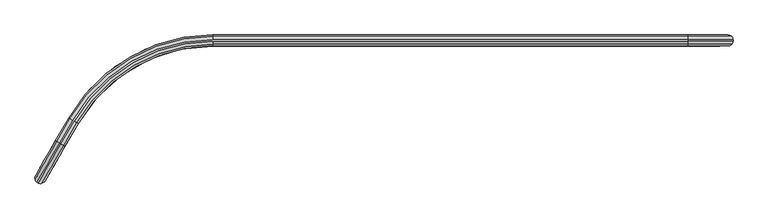
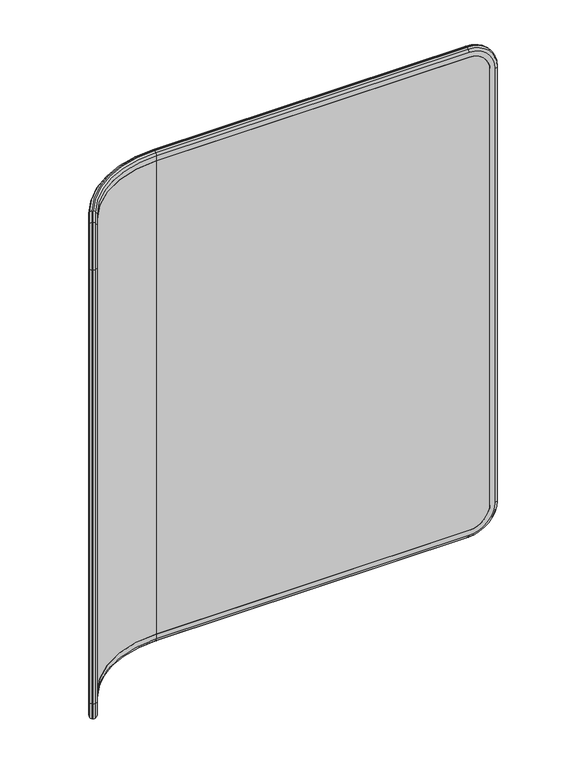
"""IFC4 building model written with IfcOpenShell, lengths in millimetres: furniture geometry."""

from ifc_helpers import new_model, si_unit, point, frame, origin, place, context, project, spatial, polyline, circle_curve, ellipse_curve, trimmed, source, transform, mapped, element, save
from ifc_brep_helpers import plane_surface, cylinder_surface, revolved_surface, advanced_brep


def furniture_9426e977(model_context):
    return source(origin(), model_context, "Body", "AdvancedBrep", [
        advanced_brep(
        [(1336.9030635, -19.0134443, 1436.2125677), (1253.5370658, -19.0134443, 1519.5785655), (1253.5370658, -21.9662095, 1512.0100357), (1329.3345337, -21.9662095, 1436.2125677), (1339.8970658, -12.8318012, 1436.2125677), (1253.5370658, -12.8318012, 1522.5725677), (1339.8970658, -10.0186178, 1436.2125677), (1253.5370658, -10.0186178, 1522.5725677), (1336.9030635, -3.8369747, 1436.2125677), (1253.5370658, -3.8369747, 1519.5785655), (1329.3345337, -0.8842095, 1436.2125677), (1253.5370658, -0.8842095, 1512.0100357), (1314.4970658, -21.9662095, 1436.2125677), (1253.5370658, -21.9662095, 1497.1725677), (1253.5370658, -0.8842095, 1497.1725677), (1314.4970658, -0.8842095, 1436.2125677), (1329.3345337, -21.9662095, 98.7747521), (1336.9030635, -19.0134443, 98.7747521), (1339.8970658, -12.8318012, 98.7747521), (1339.8970658, -10.0186178, 98.7747521), (1336.9030635, -3.8369747, 98.7747521), (1329.3345337, -0.8842095, 98.7747521), (1314.4970658, -0.8842095, 98.7747521), (1314.4970658, -21.9662095, 98.7747521), (1253.5370658, -19.0134443, 15.4087544), (1253.5370658, -21.9662095, 22.9772842), (1253.5370658, -12.8318012, 12.4147521), (1253.5370658, -10.0186178, 12.4147521), (1253.5370658, -3.8369747, 15.4087544), (1253.5370658, -0.8842095, 22.9772842), (1253.5370658, -21.9662095, 37.8147521), (1253.5370658, -0.8842095, 37.8147521), (341.1823889, -21.9662095, 22.9772842), (341.1823889, -19.0134443, 15.4087544), (341.1823889, -12.8318012, 12.4147521), (74.8064775, -166.6240054, 12.4147521), (49.477931, -210.4943349, 12.4147521), (47.0416427, -209.0877432, 12.4147521), (72.3701892, -165.2174137, 12.4147521), (341.1823889, -10.0186178, 12.4147521), (341.1823889, -3.8369747, 15.4087544), (341.1823889, -0.8842095, 22.9772842), (341.1823889, -0.8842095, 37.8147521), (64.4595596, -160.6502095, 37.8147521), (39.1310131, -204.520539, 37.8147521), (57.3885606, -215.061539, 37.8147521), (82.7171072, -171.1912095, 37.8147521), (341.1823889, -21.9662095, 37.8147521), (80.1599375, -169.7148269, 15.4087544), (82.7171072, -171.1912095, 22.9772842), (67.0167293, -162.1265921, 15.4087544), (64.4595596, -160.6502095, 22.9772842), (57.3885606, -215.061539, 22.9772842), (54.831391, -213.5851564, 15.4087544), (41.6881827, -205.9969216, 15.4087544), (39.1310131, -204.520539, 22.9772842), (1.2322791, -270.1630718, 98.7747521), (1.2322791, -270.1630718, 1436.2125677), (39.1310131, -204.520539, 1512.0100357), (64.4595596, -160.6502095, 1512.0100357), (64.4595596, -160.6502095, 1497.1725677), (39.1310131, -204.520539, 1497.1725677), (8.6510131, -257.3134476, 1436.2125677), (8.6510131, -257.3134476, 98.7747521), (26.9085606, -267.8544476, 98.7747521), (26.9085606, -267.8544476, 1436.2125677), (57.3885606, -215.061539, 1497.1725677), (82.7171072, -171.1912095, 1497.1725677), (82.7171072, -171.1912095, 1512.0100357), (57.3885606, -215.061539, 1512.0100357), (19.4898267, -280.7040718, 1436.2125677), (19.4898267, -280.7040718, 98.7747521), (13.1483921, -285.7822283, 98.7747521), (6.297931, -285.2842888, 98.7747521), (3.8616427, -283.877697, 98.7747521), (0.0051838, -278.1939935, 98.7747521), (13.1483921, -285.7822283, 1436.2125677), (6.297931, -285.2842888, 1436.2125677), (3.8616427, -283.877697, 1436.2125677), (0.0051838, -278.1939935, 1436.2125677), (54.831391, -213.5851564, 1519.5785655), (49.477931, -210.4943349, 1522.5725677), (47.0416427, -209.0877432, 1522.5725677), (41.6881827, -205.9969216, 1519.5785655), (80.1599375, -169.7148269, 1519.5785655), (74.8064775, -166.6240054, 1522.5725677), (341.1823889, -12.8318012, 1522.5725677), (341.1823889, -10.0186178, 1522.5725677), (72.3701892, -165.2174137, 1522.5725677), (67.0167293, -162.1265921, 1519.5785655), (341.1823889, -0.8842095, 1497.1725677), (341.1823889, -21.9662095, 1497.1725677), (341.1823889, -19.0134443, 1519.5785655), (341.1823889, -21.9662095, 1512.0100357), (341.1823889, -3.8369747, 1519.5785655), (341.1823889, -0.8842095, 1512.0100357)],
        [
            (0, 1, circle_curve(frame((1253.5370658, -19.0134443, 1436.2125677), z_axis=(0.0, -1.0, 0.0), x_axis=(0.0, 0.0, 1.0)), 83.3659977)),
            (1, 2, circle_curve(frame((1253.5370658, -10.7899964, 1512.0100357), z_axis=(1.0, 0.0, 0.0), x_axis=(0.0, 1.0, 0.0)), 11.1762131)),
            (2, 3, circle_curve(frame((1253.5370658, -21.9662095, 1436.2125677), z_axis=(0.0, 1.0, 0.0), x_axis=(0.0, 0.0, 1.0)), 75.7974679)),
            (3, 0, circle_curve(frame((1329.3345337, -10.7899964, 1436.2125677), z_axis=(0.0, 0.0, 1.0), x_axis=(0.0, 1.0, 0.0)), 11.1762131)),
            (4, 5, circle_curve(frame((1253.5370658, -12.8318012, 1436.2125677), z_axis=(0.0, -1.0, 0.0), x_axis=(0.0, 0.0, 1.0)), 86.36)),
            (5, 1, circle_curve(frame((1253.5370658, -12.1285054, 1513.2419454), z_axis=(1.0, 0.0, 0.0), x_axis=(0.0, 1.0, 0.0)), 9.3570903)),
            (0, 4, circle_curve(frame((1330.5664434, -12.1285054, 1436.2125677), z_axis=(0.0, 0.0, 1.0), x_axis=(0.0, 1.0, 0.0)), 9.3570903)),
            (6, 7, circle_curve(frame((1253.5370658, -10.0186178, 1436.2125677), z_axis=(0.0, -1.0, 0.0), x_axis=(0.0, 0.0, 1.0)), 86.36)),
            (7, 5),
            (4, 6),
            (8, 9, circle_curve(frame((1253.5370658, -3.8369747, 1436.2125677), z_axis=(0.0, -1.0, 0.0), x_axis=(0.0, 0.0, 1.0)), 83.3659977)),
            (9, 7, circle_curve(frame((1253.5370658, -10.7219137, 1513.2419454), z_axis=(1.0, 0.0, 0.0), x_axis=(0.0, -1.0, 0.0)), 9.3570903)),
            (6, 8, circle_curve(frame((1330.5664434, -10.7219137, 1436.2125677), z_axis=(0.0, 0.0, 1.0), x_axis=(0.0, -1.0, 0.0)), 9.3570903)),
            (10, 11, circle_curve(frame((1253.5370658, -0.8842095, 1436.2125677), z_axis=(0.0, -1.0, 0.0), x_axis=(0.0, 0.0, 1.0)), 75.7974679)),
            (11, 9, circle_curve(frame((1253.5370658, -12.0604226, 1512.0100357), z_axis=(1.0, 0.0, 0.0), x_axis=(0.0, -1.0, 0.0)), 11.1762131)),
            (8, 10, circle_curve(frame((1329.3345337, -12.0604226, 1436.2125677), z_axis=(0.0, 0.0, 1.0), x_axis=(0.0, -1.0, 0.0)), 11.1762131)),
            (12, 13, circle_curve(frame((1253.5370658, -21.9662095, 1436.2125677), z_axis=(0.0, -1.0, 0.0), x_axis=(0.0, 0.0, 1.0)), 60.96)),
            (13, 14),
            (14, 15, circle_curve(frame((1253.5370658, -0.8842095, 1436.2125677), z_axis=(0.0, 1.0, 0.0), x_axis=(0.0, 0.0, 1.0)), 60.96)),
            (15, 12),
            (3, 16),
            (16, 17, circle_curve(frame((1329.3345337, -10.7899964, 98.7747521), z_axis=(0.0, 0.0, 1.0), x_axis=(0.0, 1.0, 0.0)), 11.1762131)),
            (17, 0),
            (17, 18, circle_curve(frame((1330.5664434, -12.1285054, 98.7747521), z_axis=(0.0, 0.0, 1.0), x_axis=(0.0, 1.0, 0.0)), 9.3570903)),
            (18, 4),
            (18, 19),
            (19, 6),
            (19, 20, circle_curve(frame((1330.5664434, -10.7219137, 98.7747521), z_axis=(0.0, 0.0, 1.0), x_axis=(0.0, -1.0, 0.0)), 9.3570903)),
            (20, 8),
            (20, 21, circle_curve(frame((1329.3345337, -12.0604226, 98.7747521), z_axis=(0.0, 0.0, 1.0), x_axis=(0.0, -1.0, 0.0)), 11.1762131)),
            (21, 10),
            (15, 22),
            (22, 23),
            (23, 12),
            (24, 17, circle_curve(frame((1253.5370658, -19.0134443, 98.7747521), z_axis=(0.0, -1.0, 0.0), x_axis=(1.0, 0.0, 0.0)), 83.3659977)),
            (16, 25, circle_curve(frame((1253.5370658, -21.9662095, 98.7747521), z_axis=(0.0, 1.0, 0.0), x_axis=(1.0, 0.0, 0.0)), 75.7974679)),
            (25, 24, circle_curve(frame((1253.5370658, -10.7899964, 22.9772842), z_axis=(1.0, 0.0, 0.0), x_axis=(0.0, 1.0, 0.0)), 11.1762131)),
            (26, 18, circle_curve(frame((1253.5370658, -12.8318012, 98.7747521), z_axis=(0.0, -1.0, 0.0), x_axis=(1.0, 0.0, 0.0)), 86.36)),
            (24, 26, circle_curve(frame((1253.5370658, -12.1285054, 21.7453745), z_axis=(1.0, 0.0, 0.0), x_axis=(0.0, 1.0, 0.0)), 9.3570903)),
            (27, 19, circle_curve(frame((1253.5370658, -10.0186178, 98.7747521), z_axis=(0.0, -1.0, 0.0), x_axis=(1.0, 0.0, 0.0)), 86.36)),
            (26, 27),
            (28, 20, circle_curve(frame((1253.5370658, -3.8369747, 98.7747521), z_axis=(0.0, -1.0, 0.0), x_axis=(1.0, 0.0, 0.0)), 83.3659977)),
            (27, 28, circle_curve(frame((1253.5370658, -10.7219137, 21.7453745), z_axis=(1.0, 0.0, 0.0), x_axis=(0.0, -1.0, 0.0)), 9.3570903)),
            (29, 21, circle_curve(frame((1253.5370658, -0.8842095, 98.7747521), z_axis=(0.0, -1.0, 0.0), x_axis=(1.0, 0.0, 0.0)), 75.7974679)),
            (28, 29, circle_curve(frame((1253.5370658, -12.0604226, 22.9772842), z_axis=(1.0, 0.0, 0.0), x_axis=(0.0, -1.0, 0.0)), 11.1762131)),
            (30, 23, circle_curve(frame((1253.5370658, -21.9662095, 98.7747521), z_axis=(0.0, -1.0, 0.0), x_axis=(1.0, 0.0, 0.0)), 60.96)),
            (22, 31, circle_curve(frame((1253.5370658, -0.8842095, 98.7747521), z_axis=(0.0, 1.0, 0.0), x_axis=(1.0, 0.0, 0.0)), 60.96)),
            (31, 30),
            (25, 32),
            (32, 33, circle_curve(frame((341.1823889, -10.7899964, 22.9772842), z_axis=(1.0, 0.0, 0.0), x_axis=(0.0, 1.0, 0.0)), 11.1762131)),
            (33, 24),
            (33, 34, circle_curve(frame((341.1823889, -12.1285054, 21.7453745), z_axis=(1.0, 0.0, 0.0), x_axis=(0.0, 1.0, 0.0)), 9.3570903)),
            (34, 26),
            (34, 35, circle_curve(frame((341.1823889, -320.4162095, 12.4147521), z_axis=(0.0, 0.0, 1.0), x_axis=(0.0, 1.0, 0.0)), 307.5844083)),
            (35, 36),
            (36, 37),
            (37, 38),
            (38, 39, circle_curve(frame((341.1823889, -320.4162095, 12.4147521), z_axis=(0.0, 0.0, -1.0), x_axis=(0.0, 1.0, 0.0)), 310.3975917)),
            (39, 27),
            (39, 40, circle_curve(frame((341.1823889, -10.7219137, 21.7453745), z_axis=(1.0, 0.0, 0.0), x_axis=(0.0, -1.0, 0.0)), 9.3570903)),
            (40, 28),
            (40, 41, circle_curve(frame((341.1823889, -12.0604226, 22.9772842), z_axis=(1.0, 0.0, 0.0), x_axis=(0.0, -1.0, 0.0)), 11.1762131)),
            (41, 29),
            (31, 42),
            (42, 43, circle_curve(frame((341.1823889, -320.4162095, 37.8147521), z_axis=(0.0, 0.0, 1.0), x_axis=(0.0, 1.0, 0.0)), 319.532)),
            (43, 44),
            (44, 45),
            (45, 46),
            (46, 47, circle_curve(frame((341.1823889, -320.4162095, 37.8147521), z_axis=(0.0, 0.0, -1.0), x_axis=(0.0, 1.0, 0.0)), 298.45)),
            (47, 30),
            (48, 33, circle_curve(frame((341.1823889, -320.4162095, 15.4087544), z_axis=(0.0, 0.0, -1.0), x_axis=(0.0, 1.0, 0.0)), 301.4027652)),
            (32, 49, circle_curve(frame((341.1823889, -320.4162095, 22.9772842), z_axis=(0.0, 0.0, 1.0), x_axis=(0.0, 1.0, 0.0)), 298.45)),
            (49, 48, circle_curve(frame((73.0382227, -165.6031029, 22.9772842), z_axis=(0.5000000000000001, 0.8660254037844386, 0.0), x_axis=(-0.8660254037844386, 0.5000000000000001, 0.0)), 11.1762131)),
            (48, 35, circle_curve(frame((74.1974055, -166.2723574, 21.7453745), z_axis=(0.5000000000000001, 0.8660254037844386, 0.0), x_axis=(-0.8660254037844386, 0.5000000000000001, 0.0)), 9.3570903)),
            (50, 40, circle_curve(frame((341.1823889, -320.4162095, 15.4087544), z_axis=(0.0, 0.0, -1.0), x_axis=(0.0, 1.0, 0.0)), 316.5792348)),
            (38, 50, circle_curve(frame((72.9792613, -165.5690616, 21.7453745), z_axis=(0.49999999999999484, 0.8660254037844417, 0.0), x_axis=(0.8660254037844417, -0.49999999999999484, 0.0)), 9.3570903)),
            (51, 41, circle_curve(frame((341.1823889, -320.4162095, 22.9772842), z_axis=(0.0, 0.0, -1.0), x_axis=(0.0, 1.0, 0.0)), 319.532)),
            (50, 51, circle_curve(frame((74.1384441, -166.2383161, 22.9772842), z_axis=(0.49999999999999506, 0.8660254037844416, 0.0), x_axis=(0.8660254037844416, -0.49999999999999506, 0.0)), 11.1762131)),
            (42, 41),
            (51, 43),
            (32, 47),
            (46, 49),
            (49, 52),
            (52, 53, circle_curve(frame((47.7096761, -209.4734325, 22.9772842), z_axis=(0.500000000000006, 0.8660254037844353, 0.0), x_axis=(-0.8660254037844353, 0.500000000000006, 0.0)), 11.1762131)),
            (53, 48),
            (53, 36, circle_curve(frame((48.8688589, -210.142687, 21.7453745), z_axis=(0.500000000000006, 0.8660254037844353, 0.0), x_axis=(-0.8660254037844353, 0.500000000000006, 0.0)), 9.3570903)),
            (37, 54, circle_curve(frame((47.6507148, -209.4393911, 21.7453745), z_axis=(0.5000000000000009, 0.8660254037844382, 0.0), x_axis=(0.8660254037844382, -0.5000000000000009, 0.0)), 9.3570903)),
            (54, 50),
            (54, 55, circle_curve(frame((48.8098976, -210.1086456, 22.9772842), z_axis=(0.5000000000000009, 0.8660254037844382, 0.0), x_axis=(0.8660254037844382, -0.5000000000000009, 0.0)), 11.1762131)),
            (55, 51),
            (55, 56, circle_curve(frame((39.1310131, -204.520539, 98.7747521), z_axis=(-0.8660254037844384, 0.5000000000000006, 0.0), x_axis=(0.0, 0.0, -1.0)), 75.7974679)),
            (56, 57),
            (57, 58, circle_curve(frame((39.1310131, -204.520539, 1436.2125677), z_axis=(-0.8660254037844384, 0.5000000000000006, 0.0), x_axis=(-0.5000000000000006, -0.8660254037844384, 0.0)), 75.7974679)),
            (58, 59),
            (59, 60),
            (60, 61),
            (61, 62, circle_curve(frame((39.1310131, -204.520539, 1436.2125677), z_axis=(0.8660254037844384, -0.5000000000000006, 0.0), x_axis=(-0.5000000000000006, -0.8660254037844384, 0.0)), 60.96)),
            (62, 63),
            (63, 44, circle_curve(frame((39.1310131, -204.520539, 98.7747521), z_axis=(0.8660254037844384, -0.5000000000000006, 0.0), x_axis=(0.0, 0.0, -1.0)), 60.96)),
            (45, 64, circle_curve(frame((57.3885606, -215.061539, 98.7747521), z_axis=(-0.8660254037844384, 0.5000000000000006, 0.0), x_axis=(0.0, 0.0, -1.0)), 60.96)),
            (64, 65),
            (65, 66, circle_curve(frame((57.3885606, -215.061539, 1436.2125677), z_axis=(-0.8660254037844384, 0.5000000000000006, 0.0), x_axis=(-0.5000000000000006, -0.8660254037844384, 0.0)), 60.96)),
            (66, 67),
            (67, 68),
            (68, 69),
            (69, 70, circle_curve(frame((57.3885606, -215.061539, 1436.2125677), z_axis=(0.8660254037844384, -0.5000000000000006, 0.0), x_axis=(-0.5000000000000006, -0.8660254037844384, 0.0)), 75.7974679)),
            (70, 71),
            (71, 52, circle_curve(frame((57.3885606, -215.061539, 98.7747521), z_axis=(0.8660254037844384, -0.5000000000000006, 0.0), x_axis=(0.0, 0.0, -1.0)), 75.7974679)),
            (72, 53, circle_curve(frame((54.831391, -213.5851564, 98.7747521), z_axis=(0.8660254037844384, -0.5000000000000006, 0.0), x_axis=(0.0, 0.0, -1.0)), 83.3659977)),
            (71, 72, circle_curve(frame((9.8109422, -275.1159652, 98.7747521), z_axis=(0.0, 0.0, -1.0), x_axis=(-0.8660254037844384, 0.5000000000000006, 0.0)), 11.1762131)),
            (73, 36, circle_curve(frame((49.477931, -210.4943349, 98.7747521), z_axis=(0.8660254037844384, -0.5000000000000006, 0.0), x_axis=(0.0, 0.0, -1.0)), 86.36)),
            (72, 73, circle_curve(frame((10.3541701, -276.8520848, 98.7747521), z_axis=(0.0, 0.0, -1.0), x_axis=(-0.8660254037844384, 0.5000000000000006, 0.0)), 9.3570903)),
            (74, 37, circle_curve(frame((47.0416427, -209.0877432, 98.7747521), z_axis=(0.8660254037844384, -0.5000000000000006, 0.0), x_axis=(0.0, 0.0, -1.0)), 86.36)),
            (73, 74),
            (75, 54, circle_curve(frame((41.6881827, -205.9969216, 98.7747521), z_axis=(0.8660254037844384, -0.5000000000000006, 0.0), x_axis=(0.0, 0.0, -1.0)), 83.3659977)),
            (74, 75, circle_curve(frame((9.136026, -276.1487889, 98.7747521), z_axis=(0.0, 0.0, -1.0), x_axis=(0.8660254037844384, -0.5000000000000006, 0.0)), 9.3570903)),
            (75, 56, circle_curve(frame((10.9111636, -275.7511784, 98.7747521), z_axis=(0.0, 0.0, -1.0), x_axis=(0.8660254037844384, -0.5000000000000006, 0.0)), 11.1762131)),
            (63, 64),
            (70, 76, circle_curve(frame((9.8109422, -275.1159652, 1436.2125677), z_axis=(0.0, 0.0, -1.0), x_axis=(-0.8660254037844384, 0.5000000000000007, 0.0)), 11.1762131)),
            (76, 72),
            (76, 77, circle_curve(frame((10.3541701, -276.8520848, 1436.2125677), z_axis=(0.0, 0.0, -1.0), x_axis=(-0.8660254037844384, 0.5000000000000007, 0.0)), 9.3570903)),
            (77, 73),
            (77, 78),
            (78, 74),
            (78, 79, circle_curve(frame((9.136026, -276.1487889, 1436.2125677), z_axis=(0.0, 0.0, -1.0), x_axis=(0.8660254037844383, -0.5000000000000006, 0.0)), 9.3570903)),
            (79, 75),
            (79, 57, circle_curve(frame((10.9111636, -275.7511784, 1436.2125677), z_axis=(0.0, 0.0, -1.0), x_axis=(0.8660254037844383, -0.5000000000000006, 0.0)), 11.1762131)),
            (62, 65),
            (80, 76, circle_curve(frame((54.831391, -213.5851564, 1436.2125677), z_axis=(0.8660254037844384, -0.5000000000000006, 0.0), x_axis=(-0.5000000000000006, -0.8660254037844384, 0.0)), 83.3659977)),
            (69, 80, circle_curve(frame((47.7096761, -209.4734325, 1512.0100357), z_axis=(-0.4999999999999959, -0.866025403784441, 0.0), x_axis=(-0.866025403784441, 0.4999999999999959, 0.0)), 11.1762131)),
            (81, 77, circle_curve(frame((49.477931, -210.4943349, 1436.2125677), z_axis=(0.8660254037844384, -0.5000000000000006, 0.0), x_axis=(-0.5000000000000006, -0.8660254037844384, 0.0)), 86.36)),
            (80, 81, circle_curve(frame((48.8688589, -210.142687, 1513.2419454), z_axis=(-0.4999999999999959, -0.866025403784441, 0.0), x_axis=(-0.866025403784441, 0.4999999999999959, 0.0)), 9.3570903)),
            (82, 78, circle_curve(frame((47.0416427, -209.0877432, 1436.2125677), z_axis=(0.8660254037844384, -0.5000000000000006, 0.0), x_axis=(-0.5000000000000006, -0.8660254037844384, 0.0)), 86.36)),
            (81, 82),
            (83, 79, circle_curve(frame((41.6881827, -205.9969216, 1436.2125677), z_axis=(0.8660254037844384, -0.5000000000000006, 0.0), x_axis=(-0.5000000000000006, -0.8660254037844384, 0.0)), 83.3659977)),
            (82, 83, circle_curve(frame((47.6507148, -209.4393911, 1513.2419454), z_axis=(-0.5000000000000009, -0.8660254037844382, 0.0), x_axis=(0.8660254037844382, -0.5000000000000009, 0.0)), 9.3570903)),
            (83, 58, circle_curve(frame((48.8098976, -210.1086456, 1512.0100357), z_axis=(-0.5000000000000009, -0.8660254037844382, 0.0), x_axis=(0.8660254037844382, -0.5000000000000009, 0.0)), 11.1762131)),
            (61, 66),
            (68, 84, circle_curve(frame((73.0382227, -165.6031029, 1512.0100357), z_axis=(-0.4999999999999958, -0.8660254037844413, 0.0), x_axis=(-0.866025403784441, 0.49999999999999567, 0.0)), 11.1762131)),
            (84, 80),
            (84, 85, circle_curve(frame((74.1974055, -166.2723574, 1513.2419454), z_axis=(-0.4999999999999958, -0.8660254037844413, 0.0), x_axis=(-0.866025403784441, 0.49999999999999567, 0.0)), 9.3570903)),
            (85, 81),
            (85, 86, circle_curve(frame((341.1823889, -320.4162095, 1522.5725677), z_axis=(0.0, 0.0, -1.0), x_axis=(-0.866025403784445, 0.49999999999998895, 0.0)), 307.5844083)),
            (86, 5),
            (7, 87),
            (87, 88, circle_curve(frame((341.1823889, -320.4162095, 1522.5725677), z_axis=(0.0, 0.0, 1.0), x_axis=(-0.866025403784445, 0.49999999999998895, 0.0)), 310.3975917)),
            (88, 82),
            (88, 89, circle_curve(frame((72.9792613, -165.5690616, 1513.2419454), z_axis=(-0.5000000000000008, -0.8660254037844384, 0.0), x_axis=(0.8660254037844382, -0.5000000000000007, 0.0)), 9.3570903)),
            (89, 83),
            (89, 59, circle_curve(frame((74.1384441, -166.2383161, 1512.0100357), z_axis=(-0.5000000000000008, -0.8660254037844384, 0.0), x_axis=(0.8660254037844382, -0.5000000000000007, 0.0)), 11.1762131)),
            (60, 90, circle_curve(frame((341.1823889, -320.4162095, 1497.1725677), z_axis=(0.0, 0.0, -1.0), x_axis=(-0.866025403784445, 0.49999999999998895, 0.0)), 319.532)),
            (90, 14),
            (13, 91),
            (91, 67, circle_curve(frame((341.1823889, -320.4162095, 1497.1725677), z_axis=(0.0, 0.0, 1.0), x_axis=(-0.866025403784445, 0.49999999999998895, 0.0)), 298.45)),
            (92, 84, circle_curve(frame((341.1823889, -320.4162095, 1519.5785655), z_axis=(0.0, 0.0, 1.0), x_axis=(-0.866025403784445, 0.49999999999998895, 0.0)), 301.4027652)),
            (68, 93, circle_curve(frame((341.1823889, -320.4162095, 1512.0100357), z_axis=(0.0, 0.0, -1.0), x_axis=(-0.866025403784445, 0.49999999999998895, 0.0)), 298.45)),
            (93, 92, circle_curve(frame((341.1823889, -10.7899964, 1512.0100357), z_axis=(-1.0, 0.0, 0.0), x_axis=(0.0, 1.0, 0.0)), 11.1762131)),
            (92, 86, circle_curve(frame((341.1823889, -12.1285054, 1513.2419454), z_axis=(-1.0, 0.0, 0.0), x_axis=(0.0, 1.0, 0.0)), 9.3570903)),
            (94, 89, circle_curve(frame((341.1823889, -320.4162095, 1519.5785655), z_axis=(0.0, 0.0, 1.0), x_axis=(-0.866025403784445, 0.49999999999998895, 0.0)), 316.5792348)),
            (87, 94, circle_curve(frame((341.1823889, -10.7219137, 1513.2419454), z_axis=(-1.0, 0.0, 0.0), x_axis=(0.0, -1.0, 0.0)), 9.3570903)),
            (95, 59, circle_curve(frame((341.1823889, -320.4162095, 1512.0100357), z_axis=(0.0, 0.0, 1.0), x_axis=(-0.866025403784445, 0.49999999999998895, 0.0)), 319.532)),
            (94, 95, circle_curve(frame((341.1823889, -12.0604226, 1512.0100357), z_axis=(-1.0, 0.0, 0.0), x_axis=(0.0, -1.0, 0.0)), 11.1762131)),
            (95, 90),
            (91, 93),
            (93, 2),
            (1, 92),
            (9, 94),
            (11, 95),
        ],
        [
            revolved_surface(trimmed(ellipse_curve(frame((1253.5370658, -10.7899964, 1512.0100357), z_axis=(-1.0, 0.0, 0.0), x_axis=(0.0, 1.0, 0.0)), 11.1762131, 11.1762131), [point((1253.5370658, -21.9662095, 1512.0100357))], [point((1253.5370658, -19.0134443, 1519.5785655))], True, "CARTESIAN"), (1253.5370658, -21.9662095, 1436.2125677), (0.0, 1.0, 0.0)),
            revolved_surface(trimmed(ellipse_curve(frame((1253.5370658, -12.1285054, 1513.2419454), z_axis=(-1.0, 0.0, 0.0), x_axis=(0.0, 1.0, 0.0)), 9.3570903, 9.3570903), [point((1253.5370658, -19.0134443, 1519.5785655))], [point((1253.5370658, -12.8318012, 1522.5725677))], True, "CARTESIAN"), (1253.5370658, -21.9662095, 1436.2125677), (0.0, 1.0, 0.0)),
            cylinder_surface(frame((1253.5370658, -21.9662095, 1436.2125677), z_axis=(0.0, 1.0, 0.0), x_axis=(0.0, 0.0, 1.0)), 86.36),
            revolved_surface(trimmed(ellipse_curve(frame((1253.5370658, -10.7219137, 1513.2419454), z_axis=(-1.0, 0.0, 0.0), x_axis=(0.0, -1.0, 0.0)), 9.3570903, 9.3570903), [point((1253.5370658, -10.0186178, 1522.5725677))], [point((1253.5370658, -3.8369747, 1519.5785655))], True, "CARTESIAN"), (1253.5370658, -21.9662095, 1436.2125677), (0.0, 1.0, 0.0)),
            revolved_surface(trimmed(ellipse_curve(frame((1253.5370658, -12.0604226, 1512.0100357), z_axis=(-1.0, 0.0, 0.0), x_axis=(0.0, -1.0, 0.0)), 11.1762131, 11.1762131), [point((1253.5370658, -3.8369747, 1519.5785655))], [point((1253.5370658, -0.8842095, 1512.0100357))], True, "CARTESIAN"), (1253.5370658, -21.9662095, 1436.2125677), (0.0, 1.0, 0.0)),
            revolved_surface(polyline([(1253.5370658, -0.8842095000000008, 1497.1725677), (1253.5370658, -21.9662095, 1497.1725677)]), (1253.5370658, -21.9662095, 1436.2125677), (0.0, 1.0, 0.0)),
            cylinder_surface(frame((1329.3345337, -10.7899964, 1436.2125677), z_axis=(0.0, 0.0, 1.0), x_axis=(0.0, 1.0, 0.0)), 11.1762131),
            cylinder_surface(frame((1330.5664434, -12.1285054, 1436.2125677), z_axis=(0.0, 0.0, 1.0), x_axis=(0.0, 1.0, 0.0)), 9.3570903),
            plane_surface(frame((1339.8970658, -12.8318012, 1436.2125677), z_axis=(1.0, 0.0, 0.0), x_axis=(0.0, 0.0, -1.0))),
            cylinder_surface(frame((1330.5664434, -10.7219137, 1436.2125677), z_axis=(0.0, 0.0, 1.0), x_axis=(0.0, -1.0, 0.0)), 9.3570903),
            cylinder_surface(frame((1329.3345337, -12.0604226, 1436.2125677), z_axis=(0.0, 0.0, 1.0), x_axis=(0.0, -1.0, 0.0)), 11.1762131),
            plane_surface(frame((1314.4970658, -0.8842095, 1436.2125677), z_axis=(-1.0, 0.0, 0.0), x_axis=(0.0, 0.0, -1.0))),
            revolved_surface(trimmed(ellipse_curve(frame((1329.3345337, -10.7899964, 98.7747521), z_axis=(0.0, 0.0, 1.0), x_axis=(0.0, 1.0, 0.0)), 11.1762131, 11.1762131), [point((1329.3345337, -21.9662095, 98.7747521))], [point((1336.9030635, -19.0134443, 98.7747521))], True, "CARTESIAN"), (1253.5370658, -21.9662095, 98.7747521), (0.0, 1.0, 0.0)),
            revolved_surface(trimmed(ellipse_curve(frame((1330.5664434, -12.1285054, 98.7747521), z_axis=(0.0, 0.0, 1.0), x_axis=(0.0, 1.0, 0.0)), 9.3570903, 9.3570903), [point((1336.9030635, -19.0134443, 98.7747521))], [point((1339.8970658, -12.8318012, 98.7747521))], True, "CARTESIAN"), (1253.5370658, -21.9662095, 98.7747521), (0.0, 1.0, 0.0)),
            cylinder_surface(frame((1253.5370658, -21.9662095, 98.7747521), z_axis=(0.0, 1.0, 0.0), x_axis=(1.0, 0.0, 0.0)), 86.36),
            revolved_surface(trimmed(ellipse_curve(frame((1330.5664434, -10.7219137, 98.7747521), z_axis=(0.0, 0.0, 1.0), x_axis=(0.0, -1.0, 0.0)), 9.3570903, 9.3570903), [point((1339.8970658, -10.0186178, 98.7747521))], [point((1336.9030635, -3.8369747, 98.7747521))], True, "CARTESIAN"), (1253.5370658, -21.9662095, 98.7747521), (0.0, 1.0, 0.0)),
            revolved_surface(trimmed(ellipse_curve(frame((1329.3345337, -12.0604226, 98.7747521), z_axis=(0.0, 0.0, 1.0), x_axis=(0.0, -1.0, 0.0)), 11.1762131, 11.1762131), [point((1336.9030635, -3.8369747, 98.7747521))], [point((1329.3345337, -0.8842095, 98.7747521))], True, "CARTESIAN"), (1253.5370658, -21.9662095, 98.7747521), (0.0, 1.0, 0.0)),
            revolved_surface(polyline([(1314.4970658, -0.8842095000000008, 98.7747521), (1314.4970658, -21.9662095, 98.7747521)]), (1253.5370658, -21.9662095, 98.7747521), (0.0, 1.0, 0.0)),
            cylinder_surface(frame((1253.5370658, -10.7899964, 22.9772842), z_axis=(1.0, 0.0, 0.0), x_axis=(0.0, 1.0, 0.0)), 11.1762131),
            cylinder_surface(frame((1253.5370658, -12.1285054, 21.7453745), z_axis=(1.0, 0.0, 0.0), x_axis=(0.0, 1.0, 0.0)), 9.3570903),
            plane_surface(frame((1253.5370658, -12.8318012, 12.4147521), z_axis=(0.0, 0.0, -1.0), x_axis=(-1.0, 0.0, 0.0))),
            cylinder_surface(frame((1253.5370658, -10.7219137, 21.7453745), z_axis=(1.0, 0.0, 0.0), x_axis=(0.0, -1.0, 0.0)), 9.3570903),
            cylinder_surface(frame((1253.5370658, -12.0604226, 22.9772842), z_axis=(1.0, 0.0, 0.0), x_axis=(0.0, -1.0, 0.0)), 11.1762131),
            plane_surface(frame((1253.5370658, -0.8842095, 37.8147521), z_axis=(0.0, 0.0, 1.0), x_axis=(-1.0, 0.0, 0.0))),
            revolved_surface(trimmed(ellipse_curve(frame((341.1823889, -10.7899964, 22.9772842), z_axis=(1.0, 0.0, 0.0), x_axis=(0.0, 1.0, 0.0)), 11.1762131, 11.1762131), [point((341.1823889, -21.9662095, 22.9772842))], [point((341.1823889, -19.0134443, 15.4087544))], True, "CARTESIAN"), (341.1823889, -320.4162095, 37.8147521), (0.0, 0.0, 1.0)),
            revolved_surface(trimmed(ellipse_curve(frame((341.1823889, -12.1285054, 21.7453745), z_axis=(1.0, 0.0, 0.0), x_axis=(0.0, 1.0, 0.0)), 9.3570903, 9.3570903), [point((341.1823889, -19.0134443, 15.4087544))], [point((341.1823889, -12.8318012, 12.4147521))], True, "CARTESIAN"), (341.1823889, -320.4162095, 37.8147521), (0.0, 0.0, 1.0)),
            revolved_surface(trimmed(ellipse_curve(frame((341.1823889, -10.7219137, 21.7453745), z_axis=(1.0, 0.0, 0.0), x_axis=(0.0, -1.0, 0.0)), 9.3570903, 9.3570903), [point((341.1823889, -10.0186178, 12.4147521))], [point((341.1823889, -3.8369747, 15.4087544))], True, "CARTESIAN"), (341.1823889, -320.4162095, 37.8147521), (0.0, 0.0, 1.0)),
            revolved_surface(trimmed(ellipse_curve(frame((341.1823889, -12.0604226, 22.9772842), z_axis=(1.0, 0.0, 0.0), x_axis=(0.0, -1.0, 0.0)), 11.1762131, 11.1762131), [point((341.1823889, -3.8369747, 15.4087544))], [point((341.1823889, -0.8842095, 22.9772842))], True, "CARTESIAN"), (341.1823889, -320.4162095, 37.8147521), (0.0, 0.0, 1.0)),
            cylinder_surface(frame((341.1823889, -320.4162095, 37.8147521), z_axis=(0.0, 0.0, 1.0), x_axis=(0.0, 1.0, 0.0)), 319.532),
            revolved_surface(polyline([(341.1823889, -21.96620949999999, 37.8147521), (341.1823889, -21.96620949999999, 22.9772842)]), (341.1823889, -320.4162095, 37.8147521), (0.0, 0.0, 1.0)),
            cylinder_surface(frame((73.0382227, -165.6031029, 22.9772842), z_axis=(0.500000000000006, 0.8660254037844353, 0.0), x_axis=(-0.8660254037844353, 0.500000000000006, 0.0)), 11.1762131),
            cylinder_surface(frame((74.1974055, -166.2723574, 21.7453745), z_axis=(0.500000000000006, 0.8660254037844353, 0.0), x_axis=(-0.8660254037844353, 0.500000000000006, 0.0)), 9.3570903),
            cylinder_surface(frame((72.9792613, -165.5690616, 21.7453745), z_axis=(0.5000000000000009, 0.8660254037844382, 0.0), x_axis=(0.8660254037844382, -0.5000000000000009, 0.0)), 9.3570903),
            cylinder_surface(frame((74.1384441, -166.2383161, 22.9772842), z_axis=(0.5000000000000009, 0.8660254037844382, 0.0), x_axis=(0.8660254037844382, -0.5000000000000009, 0.0)), 11.1762131),
            plane_surface(frame((64.4595596, -160.6502095, 22.9772842), z_axis=(-0.8660254037844378, 0.5000000000000016, 0.0), x_axis=(-0.5000000000000016, -0.8660254037844378, 0.0))),
            plane_surface(frame((82.7171072, -171.1912095, 37.8147521), z_axis=(0.8660254037844378, -0.5000000000000017, 0.0), x_axis=(-0.5000000000000017, -0.8660254037844378, 0.0))),
            revolved_surface(trimmed(ellipse_curve(frame((47.7096761, -209.4734325, 22.9772842), z_axis=(0.5000000000000052, 0.8660254037844356, 0.0), x_axis=(-0.8660254037844356, 0.5000000000000052, 0.0)), 11.1762131, 11.1762131), [point((57.3885606, -215.061539, 22.9772842))], [point((54.831391, -213.5851564, 15.4087544))], True, "CARTESIAN"), (57.3885606, -215.061539, 98.7747521), (-0.8660254037844384, 0.5000000000000006, 0.0)),
            revolved_surface(trimmed(ellipse_curve(frame((48.8688589, -210.142687, 21.7453745), z_axis=(0.5000000000000052, 0.8660254037844356, 0.0), x_axis=(-0.8660254037844356, 0.5000000000000052, 0.0)), 9.3570903, 9.3570903), [point((54.831391, -213.5851564, 15.4087544))], [point((49.477931, -210.4943349, 12.4147521))], True, "CARTESIAN"), (57.3885606, -215.061539, 98.7747521), (-0.8660254037844384, 0.5000000000000006, 0.0)),
            cylinder_surface(frame((57.3885606, -215.061539, 98.7747521), z_axis=(-0.8660254037844384, 0.5000000000000006, 0.0), x_axis=(0.0, 0.0, -1.0)), 86.36),
            revolved_surface(trimmed(ellipse_curve(frame((47.6507148, -209.4393911, 21.7453745), z_axis=(0.5000000000000002, 0.8660254037844386, 0.0), x_axis=(0.8660254037844386, -0.5000000000000002, 0.0)), 9.3570903, 9.3570903), [point((47.0416427, -209.0877432, 12.4147521))], [point((41.6881827, -205.9969216, 15.4087544))], True, "CARTESIAN"), (57.3885606, -215.061539, 98.7747521), (-0.8660254037844384, 0.5000000000000006, 0.0)),
            revolved_surface(trimmed(ellipse_curve(frame((48.8098976, -210.1086456, 22.9772842), z_axis=(0.5000000000000002, 0.8660254037844386, 0.0), x_axis=(0.8660254037844386, -0.5000000000000002, 0.0)), 11.1762131, 11.1762131), [point((41.6881827, -205.9969216, 15.4087544))], [point((39.1310131, -204.520539, 22.9772842))], True, "CARTESIAN"), (57.3885606, -215.061539, 98.7747521), (-0.8660254037844384, 0.5000000000000006, 0.0)),
            revolved_surface(polyline([(39.13101307798914, -204.52053902342465, 37.8147521), (57.3885606, -215.061539, 37.8147521)]), (57.3885606, -215.061539, 98.7747521), (-0.8660254037844384, 0.5000000000000006, 0.0)),
            cylinder_surface(frame((9.8109422, -275.1159652, 98.7747521), z_axis=(0.0, 0.0, -1.0), x_axis=(-0.8660254037844384, 0.5000000000000007, 0.0)), 11.1762131),
            cylinder_surface(frame((10.3541701, -276.8520848, 98.7747521), z_axis=(0.0, 0.0, -1.0), x_axis=(-0.8660254037844384, 0.5000000000000007, 0.0)), 9.3570903),
            plane_surface(frame((6.297931, -285.2842888, 98.7747521), z_axis=(-0.5000000000000006, -0.8660254037844385, 0.0), x_axis=(0.0, 0.0, 1.0))),
            cylinder_surface(frame((9.136026, -276.1487889, 98.7747521), z_axis=(0.0, 0.0, -1.0), x_axis=(0.8660254037844383, -0.5000000000000006, 0.0)), 9.3570903),
            cylinder_surface(frame((10.9111636, -275.7511784, 98.7747521), z_axis=(0.0, 0.0, -1.0), x_axis=(0.8660254037844383, -0.5000000000000006, 0.0)), 11.1762131),
            plane_surface(frame((8.6510131, -257.3134476, 98.7747521), z_axis=(0.5000000000000007, 0.8660254037844384, 0.0), x_axis=(0.0, 0.0, 1.0))),
            revolved_surface(trimmed(ellipse_curve(frame((9.8109422, -275.1159652, 1436.2125677), z_axis=(0.0, 0.0, -1.0), x_axis=(-0.8660254037844384, 0.5000000000000006, 0.0)), 11.1762131, 11.1762131), [point((19.4898267, -280.7040718, 1436.2125677))], [point((13.1483921, -285.7822283, 1436.2125677))], True, "CARTESIAN"), (57.3885606, -215.061539, 1436.2125677), (-0.8660254037844384, 0.5000000000000006, 0.0)),
            revolved_surface(trimmed(ellipse_curve(frame((10.3541701, -276.8520848, 1436.2125677), z_axis=(0.0, 0.0, -1.0), x_axis=(-0.8660254037844384, 0.5000000000000006, 0.0)), 9.3570903, 9.3570903), [point((13.1483921, -285.7822283, 1436.2125677))], [point((6.297931, -285.2842888, 1436.2125677))], True, "CARTESIAN"), (57.3885606, -215.061539, 1436.2125677), (-0.8660254037844384, 0.5000000000000006, 0.0)),
            cylinder_surface(frame((57.3885606, -215.061539, 1436.2125677), z_axis=(-0.8660254037844384, 0.5000000000000006, 0.0), x_axis=(-0.5000000000000006, -0.8660254037844384, 0.0)), 86.36),
            revolved_surface(trimmed(ellipse_curve(frame((9.136026, -276.1487889, 1436.2125677), z_axis=(0.0, 0.0, -1.0), x_axis=(0.8660254037844384, -0.5000000000000006, 0.0)), 9.3570903, 9.3570903), [point((3.8616427, -283.877697, 1436.2125677))], [point((0.0051838, -278.1939935, 1436.2125677))], True, "CARTESIAN"), (57.3885606, -215.061539, 1436.2125677), (-0.8660254037844384, 0.5000000000000006, 0.0)),
            revolved_surface(trimmed(ellipse_curve(frame((10.9111636, -275.7511784, 1436.2125677), z_axis=(0.0, 0.0, -1.0), x_axis=(0.8660254037844384, -0.5000000000000006, 0.0)), 11.1762131, 11.1762131), [point((0.0051838, -278.1939935, 1436.2125677))], [point((1.2322791, -270.1630718, 1436.2125677))], True, "CARTESIAN"), (57.3885606, -215.061539, 1436.2125677), (-0.8660254037844384, 0.5000000000000006, 0.0)),
            revolved_surface(polyline([(8.651013077989102, -257.313447638124, 1436.2125677), (26.908560599999962, -267.8544476146994, 1436.2125677)]), (57.3885606, -215.061539, 1436.2125677), (-0.8660254037844384, 0.5000000000000006, 0.0)),
            cylinder_surface(frame((47.7096761, -209.4734325, 1512.0100357), z_axis=(-0.49999999999999567, -0.866025403784441, 0.0), x_axis=(-0.866025403784441, 0.49999999999999567, 0.0)), 11.1762131),
            cylinder_surface(frame((48.8688589, -210.142687, 1513.2419454), z_axis=(-0.49999999999999567, -0.866025403784441, 0.0), x_axis=(-0.866025403784441, 0.49999999999999567, 0.0)), 9.3570903),
            plane_surface(frame((49.477931, -210.4943349, 1522.5725677), z_axis=(0.0, 0.0, 1.0000000000000002), x_axis=(0.5000000000000007, 0.8660254037844384, 0.0))),
            cylinder_surface(frame((47.6507148, -209.4393911, 1513.2419454), z_axis=(-0.5000000000000007, -0.8660254037844382, 0.0), x_axis=(0.8660254037844382, -0.5000000000000007, 0.0)), 9.3570903),
            cylinder_surface(frame((48.8098976, -210.1086456, 1512.0100357), z_axis=(-0.5000000000000007, -0.8660254037844382, 0.0), x_axis=(0.8660254037844382, -0.5000000000000007, 0.0)), 11.1762131),
            plane_surface(frame((39.1310131, -204.520539, 1497.1725677), z_axis=(0.0, 0.0, -1.0), x_axis=(0.5000000000000006, 0.8660254037844384, 0.0))),
            revolved_surface(trimmed(ellipse_curve(frame((73.0382227, -165.6031029, 1512.0100357), z_axis=(-0.49999999999998446, -0.8660254037844476, 0.0), x_axis=(-0.8660254037844476, 0.49999999999998446, 0.0)), 11.1762131, 11.1762131), [point((82.7171072, -171.1912095, 1512.0100357))], [point((80.1599375, -169.7148269, 1519.5785655))], True, "CARTESIAN"), (341.1823889, -320.4162095, 1497.1725677), (0.0, 0.0, -1.0)),
            revolved_surface(trimmed(ellipse_curve(frame((74.1974055, -166.2723574, 1513.2419454), z_axis=(-0.49999999999998446, -0.8660254037844476, 0.0), x_axis=(-0.8660254037844476, 0.49999999999998446, 0.0)), 9.3570903, 9.3570903), [point((80.1599375, -169.7148269, 1519.5785655))], [point((74.8064775, -166.6240054, 1522.5725677))], True, "CARTESIAN"), (341.1823889, -320.4162095, 1497.1725677), (0.0, 0.0, -1.0)),
            revolved_surface(trimmed(ellipse_curve(frame((72.9792613, -165.5690616, 1513.2419454), z_axis=(-0.4999999999999894, -0.8660254037844448, 0.0), x_axis=(0.8660254037844448, -0.4999999999999894, 0.0)), 9.3570903, 9.3570903), [point((72.3701892, -165.2174137, 1522.5725677))], [point((67.0167293, -162.1265921, 1519.5785655))], True, "CARTESIAN"), (341.1823889, -320.4162095, 1497.1725677), (0.0, 0.0, -1.0)),
            revolved_surface(trimmed(ellipse_curve(frame((74.1384441, -166.2383161, 1512.0100357), z_axis=(-0.4999999999999894, -0.8660254037844448, 0.0), x_axis=(0.8660254037844448, -0.4999999999999894, 0.0)), 11.1762131, 11.1762131), [point((67.0167293, -162.1265921, 1519.5785655))], [point((64.4595596, -160.6502095, 1512.0100357))], True, "CARTESIAN"), (341.1823889, -320.4162095, 1497.1725677), (0.0, 0.0, -1.0)),
            cylinder_surface(frame((341.1823889, -320.4162095, 1497.1725677), z_axis=(0.0, 0.0, -1.0), x_axis=(-0.866025403784445, 0.49999999999998895, 0.0)), 319.532),
            revolved_surface(polyline([(82.71710714053239, -171.19120950000328, 1497.1725677), (82.71710714053239, -171.19120950000328, 1512.0100357)]), (341.1823889, -320.4162095, 1497.1725677), (0.0, 0.0, -1.0)),
            cylinder_surface(frame((341.1823889, -10.7899964, 1512.0100357), z_axis=(-1.0, 0.0, 0.0), x_axis=(0.0, 1.0, 0.0)), 11.1762131),
            cylinder_surface(frame((341.1823889, -12.1285054, 1513.2419454), z_axis=(-1.0, 0.0, 0.0), x_axis=(0.0, 1.0, 0.0)), 9.3570903),
            cylinder_surface(frame((341.1823889, -10.7219137, 1513.2419454), z_axis=(-1.0, 0.0, 0.0), x_axis=(0.0, -1.0, 0.0)), 9.3570903),
            cylinder_surface(frame((341.1823889, -12.0604226, 1512.0100357), z_axis=(-1.0, 0.0, 0.0), x_axis=(0.0, -1.0, 0.0)), 11.1762131),
            plane_surface(frame((341.1823889, -0.8842095, 1512.0100357), z_axis=(0.0, 1.0, 0.0), x_axis=(1.0, 0.0, 0.0))),
            plane_surface(frame((341.1823889, -21.9662095, 1497.1725677), z_axis=(0.0, -1.0, 0.0), x_axis=(1.0, 0.0, 0.0))),
        ],
        [
            (0, [[1, 2, 3, 4]]),
            (1, [[5, 6, -1, 7]]),
            (2, [[8, 9, -5, 10]]),
            (3, [[11, 12, -8, 13]]),
            (4, [[14, 15, -11, 16]]),
            (5, [[17, 18, 19, 20]]),
            (6, [[-4, 21, 22, 23]]),
            (7, [[-7, -23, 24, 25]]),
            (8, [[-10, -25, 26, 27]]),
            (9, [[-13, -27, 28, 29]]),
            (10, [[-16, -29, 30, 31]]),
            (11, [[-20, 32, 33, 34]]),
            (12, [[35, -22, 36, 37]]),
            (13, [[38, -24, -35, 39]]),
            (14, [[40, -26, -38, 41]]),
            (15, [[42, -28, -40, 43]]),
            (16, [[44, -30, -42, 45]]),
            (17, [[46, -33, 47, 48]]),
            (18, [[-37, 49, 50, 51]]),
            (19, [[-39, -51, 52, 53]]),
            (20, [[-41, -53, 54, 55, 56, 57, 58, 59]]),
            (21, [[-43, -59, 60, 61]]),
            (22, [[-45, -61, 62, 63]]),
            (23, [[-48, 64, 65, 66, 67, 68, 69, 70]]),
            (24, [[71, -50, 72, 73]]),
            (25, [[-54, -52, -71, 74]]),
            (26, [[75, -60, -58, 76]]),
            (27, [[77, -62, -75, 78]]),
            (28, [[-65, 79, -77, 80]]),
            (29, [[-72, 81, -69, 82]]),
            (30, [[-73, 83, 84, 85]]),
            (31, [[-74, -85, 86, -55]]),
            (32, [[-76, -57, 87, 88]]),
            (33, [[-78, -88, 89, 90]]),
            (34, [[-80, -90, 91, 92, 93, 94, 95, 96, 97, 98, 99, -66]]),
            (35, [[-82, -68, 100, 101, 102, 103, 104, 105, 106, 107, 108, -83]]),
            (36, [[109, -84, -108, 110]]),
            (37, [[111, -86, -109, 112]]),
            (38, [[113, -56, -111, 114]]),
            (39, [[115, -87, -113, 116]]),
            (40, [[-91, -89, -115, 117]]),
            (41, [[-100, -67, -99, 118]]),
            (42, [[-110, -107, 119, 120]]),
            (43, [[-112, -120, 121, 122]]),
            (44, [[-114, -122, 123, 124]]),
            (45, [[-116, -124, 125, 126]]),
            (46, [[-117, -126, 127, -92]]),
            (47, [[-118, -98, 128, -101]]),
            (48, [[129, -119, -106, 130]]),
            (49, [[131, -121, -129, 132]]),
            (50, [[133, -123, -131, 134]]),
            (51, [[135, -125, -133, 136]]),
            (52, [[-93, -127, -135, 137]]),
            (53, [[-102, -128, -97, 138]]),
            (54, [[-130, -105, 139, 140]]),
            (55, [[-132, -140, 141, 142]]),
            (56, [[-134, -142, 143, 144, -9, 145, 146, 147]]),
            (57, [[-136, -147, 148, 149]]),
            (58, [[-137, -149, 150, -94]]),
            (59, [[-138, -96, 151, 152, -18, 153, 154, -103]]),
            (60, [[155, -139, 156, 157]]),
            (61, [[-143, -141, -155, 158]]),
            (62, [[159, -148, -146, 160]]),
            (63, [[161, -150, -159, 162]]),
            (64, [[-151, -95, -161, 163]]),
            (65, [[-156, -104, -154, 164]]),
            (66, [[-157, 165, -2, 166]]),
            (67, [[-158, -166, -6, -144]]),
            (68, [[-160, -145, -12, 167]]),
            (69, [[-162, -167, -15, 168]]),
            (70, [[-163, -168, -14, -31, -44, -63, -79, -64, -47, -32, -19, -152]]),
            (71, [[-164, -153, -17, -34, -46, -70, -81, -49, -36, -21, -3, -165]]),
        ],
    ),
        advanced_brep(
        [(82.7171072, -171.1912095, 1497.1725677), (341.1823889, -21.9662095, 1497.1725677), (1253.5370658, -21.9662095, 1497.1725677), (1253.5370658, -0.8842095, 1497.1725677), (341.1823889, -0.8842095, 1497.1725677), (64.4595596, -160.6502095, 1497.1725677), (39.1310131, -204.520539, 1497.1725677), (57.3885606, -215.061539, 1497.1725677), (64.4595596, -160.6502095, 37.8147521), (341.1823889, -0.8842095, 37.8147521), (1253.5370658, -0.8842095, 37.8147521), (1253.5370658, -21.9662095, 37.8147521), (341.1823889, -21.9662095, 37.8147521), (82.7171072, -171.1912095, 37.8147521), (57.3885606, -215.061539, 37.8147521), (39.1310131, -204.520539, 37.8147521), (1314.4970658, -21.9662095, 98.7747521), (1314.4970658, -21.9662095, 1436.2125677), (1314.4970658, -0.8842095, 1436.2125677), (1314.4970658, -0.8842095, 98.7747521), (8.6510131, -257.3134476, 98.7747521), (8.6510131, -257.3134476, 1436.2125677), (26.9085606, -267.8544476, 1436.2125677), (26.9085606, -267.8544476, 98.7747521)],
        [
            (0, 1, circle_curve(frame((341.1823889, -320.4162095, 1497.1725677), z_axis=(0.0, 0.0, -1.0), x_axis=(1.0, 0.0, 0.0)), 298.45)),
            (1, 2),
            (2, 3),
            (3, 4),
            (4, 5, circle_curve(frame((341.1823889, -320.4162095, 1497.1725677), z_axis=(0.0, 0.0, 1.0), x_axis=(1.0, 0.0, 0.0)), 319.532)),
            (5, 6),
            (6, 7),
            (7, 0),
            (8, 9, circle_curve(frame((341.1823889, -320.4162095, 37.8147521), z_axis=(0.0, 0.0, -1.0), x_axis=(1.0, 0.0, 0.0)), 319.532)),
            (9, 10),
            (10, 11),
            (11, 12),
            (12, 13, circle_curve(frame((341.1823889, -320.4162095, 37.8147521), z_axis=(0.0, 0.0, 1.0), x_axis=(1.0, 0.0, 0.0)), 298.45)),
            (13, 14),
            (14, 15),
            (15, 8),
            (0, 13),
            (12, 1),
            (11, 16, circle_curve(frame((1253.5370658, -21.9662095, 98.7747521), z_axis=(0.0, -1.0, 0.0), x_axis=(1.0, 0.0, 0.0)), 60.96)),
            (16, 17),
            (17, 2, circle_curve(frame((1253.5370658, -21.9662095, 1436.2125677), z_axis=(0.0, -1.0, 0.0), x_axis=(1.0, 0.0, 0.0)), 60.96)),
            (3, 18, circle_curve(frame((1253.5370658, -0.8842095, 1436.2125677), z_axis=(0.0, 1.0, 0.0), x_axis=(1.0, 0.0, 0.0)), 60.96)),
            (18, 19),
            (19, 10, circle_curve(frame((1253.5370658, -0.8842095, 98.7747521), z_axis=(0.0, 1.0, 0.0), x_axis=(1.0, 0.0, 0.0)), 60.96)),
            (9, 4),
            (8, 5),
            (15, 20, circle_curve(frame((39.1310131, -204.520539, 98.7747521), z_axis=(-0.8660254037844384, 0.5000000000000006, 0.0), x_axis=(0.5000000000000006, 0.8660254037844384, 0.0)), 60.96)),
            (20, 21),
            (21, 6, circle_curve(frame((39.1310131, -204.520539, 1436.2125677), z_axis=(-0.8660254037844384, 0.5000000000000006, 0.0), x_axis=(0.5000000000000006, 0.8660254037844384, 0.0)), 60.96)),
            (7, 22, circle_curve(frame((57.3885606, -215.061539, 1436.2125677), z_axis=(0.8660254037844384, -0.5000000000000006, 0.0), x_axis=(0.5000000000000006, 0.8660254037844384, 0.0)), 60.96)),
            (22, 23),
            (23, 14, circle_curve(frame((57.3885606, -215.061539, 98.7747521), z_axis=(0.8660254037844384, -0.5000000000000006, 0.0), x_axis=(0.5000000000000006, 0.8660254037844384, 0.0)), 60.96)),
            (20, 23),
            (22, 21),
            (19, 16),
            (18, 17),
        ],
        [
            plane_surface(frame((639.6323889, -320.4162095, 1497.1725677), z_axis=(0.0, 0.0, 1.0), x_axis=(0.0, -1.0, 0.0))),
            plane_surface(frame((639.6323889, -320.4162095, 37.8147521), z_axis=(0.0, 0.0, -1.0), x_axis=(0.0, 1.0, 0.0))),
            revolved_surface(polyline([(639.6323889, -320.4162095, 37.8147521), (639.6323889, -320.4162095, 1497.1725677)]), (341.1823889, -320.4162095, 37.8147521), (0.0, 0.0, -1.0)),
            plane_surface(frame((341.1823889, -21.9662095, 1497.1725677), z_axis=(0.0, -1.0, 0.0), x_axis=(0.0, 0.0, -1.0))),
            plane_surface(frame((1228.1544922, -0.8842095, 1497.1725677), z_axis=(0.0, 1.0, 0.0), x_axis=(0.0, 0.0, -1.0))),
            cylinder_surface(frame((341.1823889, -320.4162095, 37.8147521), z_axis=(0.0, 0.0, 1.0), x_axis=(1.0, 0.0, 0.0)), 319.532),
            plane_surface(frame((64.4595596, -160.6502095, 1497.1725677), z_axis=(-0.8660254037844379, 0.5000000000000012, 0.0), x_axis=(0.0, 0.0, -1.0))),
            plane_surface(frame((70.0797994, -193.0796687, 1497.1725677), z_axis=(0.8660254037844385, -0.5000000000000004, 0.0), x_axis=(0.0, 0.0, -1.0))),
            plane_surface(frame((8.6510131, -257.3134476, 98.7747521), z_axis=(-0.5000000000000003, -0.8660254037844385, 0.0), x_axis=(0.8660254037844385, -0.5000000000000003, 0.0))),
            cylinder_surface(frame((57.3885606, -215.061539, 1436.2125677), z_axis=(-0.8660254037844384, 0.5000000000000006, 0.0), x_axis=(0.5000000000000006, 0.8660254037844384, 0.0)), 60.96),
            cylinder_surface(frame((57.3885606, -215.061539, 98.7747521), z_axis=(-0.8660254037844384, 0.5000000000000006, 0.0), x_axis=(0.5000000000000006, 0.8660254037844384, 0.0)), 60.96),
            cylinder_surface(frame((1253.5370658, -0.8842095, 98.7747521), z_axis=(0.0, -1.0, 0.0), x_axis=(1.0, 0.0, 0.0)), 60.96),
            plane_surface(frame((1314.4970658, -21.9662095, 98.7747521), z_axis=(1.0, 0.0, 0.0), x_axis=(0.0, 1.0, 0.0))),
            cylinder_surface(frame((1253.5370658, -0.8842095, 1436.2125677), z_axis=(0.0, -1.0, 0.0), x_axis=(1.0, 0.0, 0.0)), 60.96),
        ],
        [
            (0, [[1, 2, 3, 4, 5, 6, 7, 8]]),
            (1, [[9, 10, 11, 12, 13, 14, 15, 16]]),
            (2, [[-1, 17, -13, 18]]),
            (3, [[-2, -18, -12, 19, 20, 21]]),
            (4, [[-4, 22, 23, 24, -10, 25]]),
            (5, [[-5, -25, -9, 26]]),
            (6, [[-26, -16, 27, 28, 29, -6]]),
            (7, [[-17, -8, 30, 31, 32, -14]]),
            (8, [[-28, 33, -31, 34]]),
            (9, [[-29, -34, -30, -7]]),
            (10, [[-27, -15, -32, -33]]),
            (11, [[-19, -11, -24, 35]]),
            (12, [[-20, -35, -23, 36]]),
            (13, [[-21, -36, -22, -3]]),
        ],
    ),
    ])


if __name__ == "__main__":
    model = new_model("IFC4")
    model_context = context("Model", 3, world=origin())
    ifc_project = project(units=[si_unit("LENGTHUNIT", "METRE", prefix="MILLI")], contexts=[model_context])
    site = spatial("IfcSite", under=ifc_project)
    building = spatial("IfcBuilding", under=site)
    placement = place(None, origin())
    furniture_shape = furniture_9426e977(model_context)
    element("IfcFurniture", 1, at=placement, inside=building, context=model_context, shape_type="MappedRepresentation", body=[
        mapped(furniture_shape, transform((0.0, 0.0, 0.0), x_axis=(1.0, 0.0, 0.0), y_axis=(0.0, 1.0, 0.0), z_axis=(0.0, 0.0, 1.0))),
    ])
    save(model, "model.ifc")
